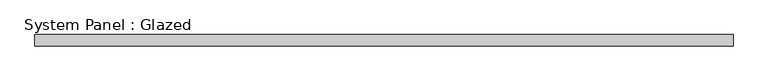
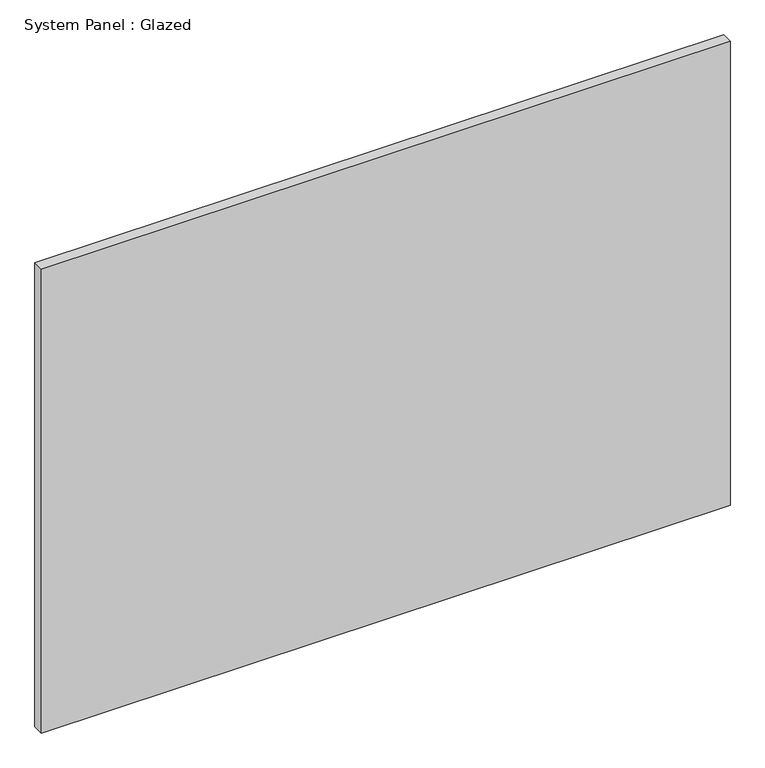
"""IFC4 building model written with IfcOpenShell, lengths in millimetres: plate geometry, System Panel : Glazed."""

from ifc_helpers import new_model, si_unit, origin, origin_with_axes, place, context, project, spatial, polyline, outline, extrude, source, transform, mapped, element, save


def system_panel_glazed_5851f81f(model_context):
    return source(origin(), model_context, "Body", "SweptSolid", [
        extrude(outline(polyline([(769.0628487, 24.5), (-769.0628487, 24.5), (-769.0628487, 49.5), (769.0628487, 49.5), (769.0628487, 24.5)])), origin_with_axes(), (0.0, 0.0, 1.0), 1095.0),
    ])


if __name__ == "__main__":
    model = new_model("IFC4")
    model_context = context("Model", 3, world=origin())
    ifc_project = project(units=[si_unit("LENGTHUNIT", "METRE", prefix="MILLI")], contexts=[model_context])
    site = spatial("IfcSite", under=ifc_project)
    building = spatial("IfcBuilding", under=site)
    placement = place(None, origin())
    system_panel_glazed_shape = system_panel_glazed_5851f81f(model_context)
    element("IfcPlate", 1, ObjectType="System Panel : Glazed", at=placement, inside=building, context=model_context, shape_type="MappedRepresentation", body=[
        mapped(system_panel_glazed_shape, transform((0.0, 0.0, 0.0), x_axis=(1.0, 0.0, 0.0), y_axis=(0.0, 1.0, 0.0), z_axis=(0.0, 0.0, 1.0))),
    ])
    save(model, "model.ifc")
